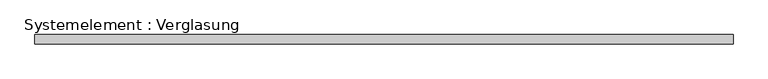
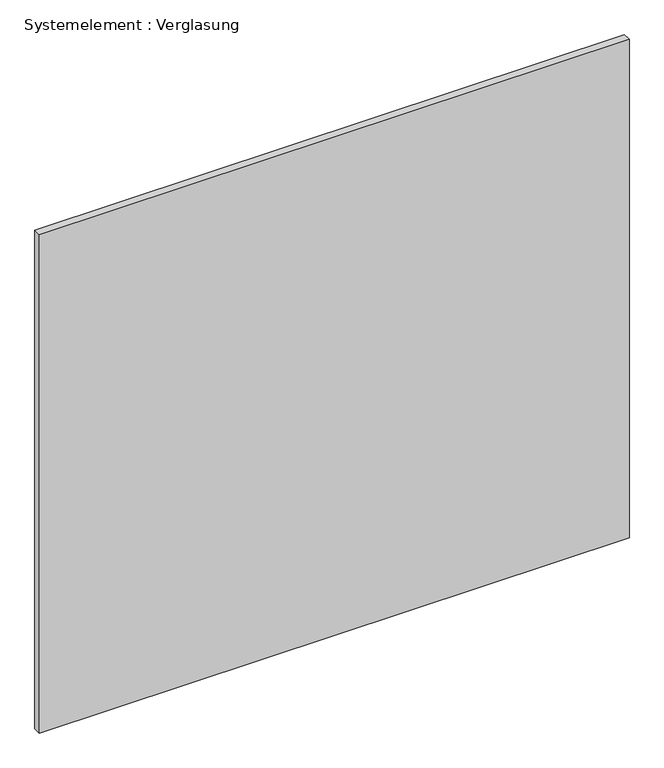
"""IFC4 building model written with IfcOpenShell, lengths in millimetres: plate geometry, Systemelement : Verglasung."""

from ifc_helpers import new_model, si_unit, origin, origin_with_axes, place, context, project, spatial, polyline, outline, extrude, source, transform, mapped, element, save


def systemelement_verglasung_f14c6c63(model_context):
    return source(origin(), model_context, "Body", "SweptSolid", [
        extrude(outline(polyline([(1117.4678258, -15.0), (-1117.4678258, -15.0), (-1117.4678258, 15.0), (1117.4678258, 15.0), (1117.4678258, -15.0)])), origin_with_axes(), (0.0, 0.0, 1.0), 1995.0),
    ])


if __name__ == "__main__":
    model = new_model("IFC4")
    model_context = context("Model", 3, world=origin())
    ifc_project = project(units=[si_unit("LENGTHUNIT", "METRE", prefix="MILLI")], contexts=[model_context])
    site = spatial("IfcSite", under=ifc_project)
    building = spatial("IfcBuilding", under=site)
    placement = place(None, origin())
    systemelement_verglasung_shape = systemelement_verglasung_f14c6c63(model_context)
    element("IfcPlate", 1, ObjectType="Systemelement : Verglasung", at=placement, inside=building, context=model_context, shape_type="MappedRepresentation", body=[
        mapped(systemelement_verglasung_shape, transform((0.0, 0.0, 0.0), x_axis=(1.0, 0.0, 0.0), y_axis=(0.0, 1.0, 0.0), z_axis=(0.0, 0.0, 1.0))),
    ])
    save(model, "model.ifc")
